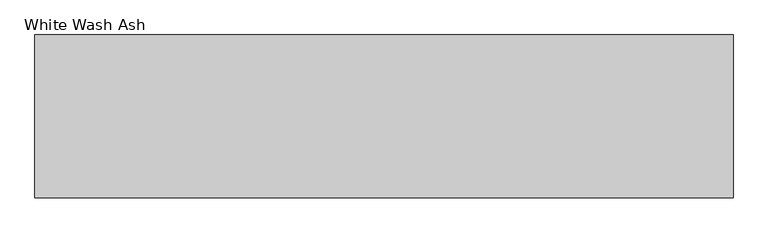
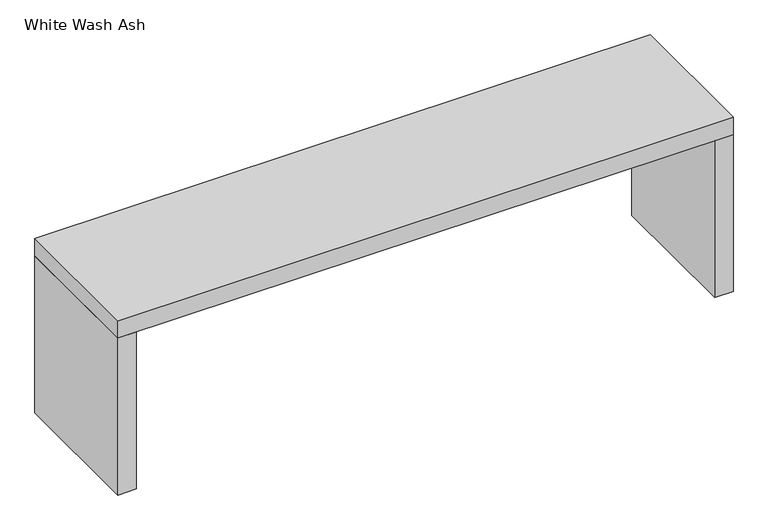
"""IFC4 building model written with IfcOpenShell, lengths in millimetres: furniture geometry, White Wash Ash."""

from ifc_helpers import new_model, si_unit, point, frame, frame_2d, origin, origin_with_axes, place, context, project, spatial, polyline, circle_curve, trimmed, segment, composite_curve, outline, extrude, source, transform, mapped, element, save


def white_wash_ash_1e32beb4(model_context):
    return source(origin(), model_context, "Body", "SweptSolid", [
        extrude(outline(composite_curve([segment(trimmed(circle_curve(frame_2d((-727.5, 145.0016379)), 9.0002547), [point((-718.4997453, 145.0016379))], [point((-736.5002547, 145.0016379))], False, "CARTESIAN"), True, "CONTINUOUS"), segment(trimmed(circle_curve(frame_2d((-727.5, 145.0016379)), 9.0002547), [point((-736.5002547, 145.0016379))], [point((-718.4997453, 145.0016379))], False, "CARTESIAN"), True, "CONTINUOUS")], self_intersect=False)), origin_with_axes(), (0.0, 0.0, 1.0), 4.0),
        extrude(outline(composite_curve([segment(trimmed(circle_curve(frame_2d((-727.5, -145.0016379)), 9.0002547), [point((-718.4997453, -145.0016379))], [point((-736.5002547, -145.0016379))], False, "CARTESIAN"), True, "CONTINUOUS"), segment(trimmed(circle_curve(frame_2d((-727.5, -145.0016379)), 9.0002547), [point((-736.5002547, -145.0016379))], [point((-718.4997453, -145.0016379))], False, "CARTESIAN"), True, "CONTINUOUS")], self_intersect=False)), origin_with_axes(), (0.0, 0.0, 1.0), 4.0),
        extrude(outline(composite_curve([segment(trimmed(circle_curve(frame_2d((727.5, 145.0016379)), 9.0002547), [point((736.5002547, 145.0016379))], [point((718.4997453, 145.0016379))], False, "CARTESIAN"), True, "CONTINUOUS"), segment(trimmed(circle_curve(frame_2d((727.5, 145.0016379)), 9.0002547), [point((718.4997453, 145.0016379))], [point((736.5002547, 145.0016379))], False, "CARTESIAN"), True, "CONTINUOUS")], self_intersect=False)), origin_with_axes(), (0.0, 0.0, 1.0), 4.0),
        extrude(outline(composite_curve([segment(trimmed(circle_curve(frame_2d((727.5, -145.0016379)), 9.0002547), [point((736.5002547, -145.0016379))], [point((718.4997453, -145.0016379))], False, "CARTESIAN"), True, "CONTINUOUS"), segment(trimmed(circle_curve(frame_2d((727.5, -145.0016379)), 9.0002547), [point((718.4997453, -145.0016379))], [point((736.5002547, -145.0016379))], False, "CARTESIAN"), True, "CONTINUOUS")], self_intersect=False)), origin_with_axes(), (0.0, 0.0, 1.0), 4.0),
        extrude(outline(polyline([(705.0, 23.0), (705.0, -23.0), (-705.0, -23.0), (-705.0, 23.0), (705.0, 23.0)])), frame((0.0, 0.0, 329.0), z_axis=(0.0, 0.0, 1.0), x_axis=(1.0, 0.0, 0.0)), (0.0, 0.0, 1.0), 80.0),
        extrude(outline(polyline([(750.0, 175.0), (750.0, -175.0), (-750.0, -175.0), (-750.0, 175.0), (750.0, 175.0)])), frame((0.0, 0.0, 409.0), z_axis=(0.0, 0.0, 1.0), x_axis=(1.0, 0.0, 0.0)), (0.0, 0.0, 1.0), 45.0),
        extrude(outline(polyline([(-705.0, 175.0), (-705.0, -175.0), (-750.0, -175.0), (-750.0, 175.0), (-705.0, 175.0)])), frame((0.0, 0.0, 4.0), z_axis=(0.0, 0.0, 1.0), x_axis=(1.0, 0.0, 0.0)), (0.0, 0.0, 1.0), 405.0),
        extrude(outline(polyline([(750.0, 175.0), (750.0, -175.0), (705.0, -175.0), (705.0, 175.0), (750.0, 175.0)])), frame((0.0, 0.0, 4.0), z_axis=(0.0, 0.0, 1.0), x_axis=(1.0, 0.0, 0.0)), (0.0, 0.0, 1.0), 405.0),
    ])


if __name__ == "__main__":
    model = new_model("IFC4")
    model_context = context("Model", 3, world=origin())
    ifc_project = project(units=[si_unit("LENGTHUNIT", "METRE", prefix="MILLI")], contexts=[model_context])
    site = spatial("IfcSite", under=ifc_project)
    building = spatial("IfcBuilding", under=site)
    placement = place(None, origin())
    white_wash_ash_shape = white_wash_ash_1e32beb4(model_context)
    element("IfcFurniture", 1, ObjectType="White Wash Ash", at=placement, inside=building, context=model_context, shape_type="MappedRepresentation", body=[
        mapped(white_wash_ash_shape, transform((0.0, 0.0, 0.0), x_axis=(1.0, 0.0, 0.0), y_axis=(0.0, 1.0, 0.0), z_axis=(0.0, 0.0, 1.0))),
    ])
    save(model, "model.ifc")
